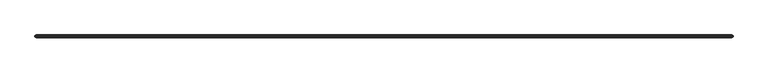
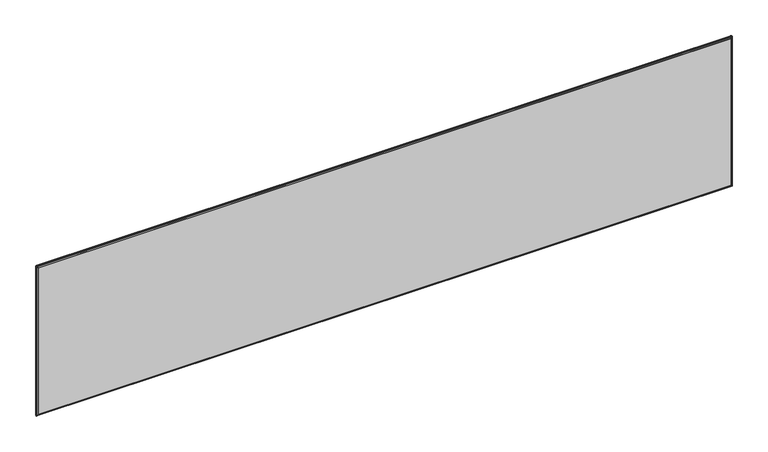
"""IFC4 building model written with IfcOpenShell, lengths in millimetres: furniture geometry."""

from ifc_helpers import new_model, si_unit, frame, origin, place, context, project, spatial, polyline, ellipse_curve, outline, extrude, source, transform, mapped, element, save
from ifc_brep_helpers import plane_surface, cylinder_surface, advanced_brep


def furniture_68a96c06(model_context):
    return source(origin(), model_context, "Body", "SolidModel", [
        advanced_brep(
        [(6.4770433, -35.9608478, 1020.2162429), (6.4770433, -42.3108478, 1020.2162429), (6.4770433, -42.3108478, 682.2591915), (6.4770433, -35.9608478, 682.2591915), (2.4130433, -39.7153692, 1022.2959291), (2.4130433, -38.5563263, 1022.2959291), (2.4130433, -38.5563263, 680.1795054), (2.4130433, -39.7153692, 680.1795054), (1517.5229567, -42.3108478, 682.2591915), (1517.5229567, -35.9608478, 682.2591915), (1519.6914783, -38.5563263, 678.1951915), (1519.6914783, -39.7153692, 678.1951915), (4.3085217, -39.7153692, 678.1951915), (4.3085217, -38.5563263, 678.1951915), (1517.5229567, -42.3108478, 1020.2162429), (1517.5229567, -35.9608478, 1020.2162429), (1521.5869567, -38.5563263, 1022.2959291), (1521.5869567, -39.7153692, 1022.2959291), (1521.5869567, -39.7153692, 680.1795054), (1521.5869567, -38.5563263, 680.1795054), (5.6165215, -42.3108478, 681.3986697), (1518.3834785, -42.3108478, 681.3986697), (1518.3834785, -42.3108478, 1021.0767647), (5.6165215, -42.3108478, 1021.0767647), (5.6165215, -35.9608478, 1021.0767647), (1518.3834785, -35.9608478, 1021.0767647), (1518.3834785, -35.9608478, 681.3986697), (5.6165215, -35.9608478, 681.3986697), (4.3085217, -38.5563263, 1024.2802429), (4.3085217, -39.7153692, 1024.2802429), (1519.6914783, -39.7153692, 1024.2802429), (1519.6914783, -38.5563263, 1024.2802429), (3.3646603, -37.0109079, 679.1468086), (3.3646603, -37.0109079, 1023.3286259), (2.9938046, -37.6131746, 678.7759528), (2.9938046, -37.6131746, 1023.6994816), (3.3646603, -41.2607877, 679.1468086), (3.3646603, -41.2607877, 1023.3286259), (2.9938046, -40.6585209, 1023.6994816), (2.9938046, -40.6585209, 678.7759528), (1520.6353397, -37.0109079, 679.1468086), (1521.0061954, -37.6131746, 678.7759528), (1520.6353397, -41.2607877, 679.1468086), (1521.0061954, -40.6585209, 678.7759528), (1520.6353397, -37.0109079, 1023.3286259), (1521.0061954, -37.6131746, 1023.6994816), (1520.6353397, -41.2607877, 1023.3286259), (1521.0061954, -40.6585209, 1023.6994816)],
        [
            (0, 1),
            (1, 2),
            (2, 3),
            (3, 0),
            (4, 5),
            (5, 6),
            (6, 7),
            (7, 4),
            (2, 8),
            (8, 9),
            (9, 3),
            (10, 11),
            (11, 12),
            (12, 13),
            (13, 10),
            (8, 14),
            (14, 15),
            (15, 9),
            (16, 17),
            (17, 18),
            (18, 19),
            (19, 16),
            (20, 21),
            (21, 22),
            (22, 23),
            (23, 20),
            (1, 14),
            (0, 15),
            (24, 25),
            (25, 26),
            (26, 27),
            (27, 24),
            (28, 29),
            (29, 30),
            (30, 31),
            (31, 28),
            (27, 32),
            (32, 33),
            (33, 24),
            (32, 34),
            (34, 6, ellipse_curve(frame((4.3994389, -35.3304359, 680.1795054), z_axis=(-0.8515131025137694, 0.5243333255166744, 0.0), x_axis=(0.5243333255166744, 0.8515131025137693, 0.0)), 3.7884214, 1.9863956)),
            (5, 35, ellipse_curve(frame((4.3994389, -35.3304359, 1022.2959291), z_axis=(-0.8515131025137694, 0.5243333255166744, 0.0), x_axis=(0.5243333255166744, 0.8515131025137693, 0.0)), 3.7884214, 1.9863956)),
            (35, 33),
            (36, 37),
            (37, 38),
            (38, 4, ellipse_curve(frame((4.3994389, -42.9412597, 1022.2959291), z_axis=(-0.8515131025143394, -0.5243333255157487, 0.0), x_axis=(-0.5243333255157487, 0.8515131025143393, 0.0)), 3.7884214, 1.9863956)),
            (7, 39, ellipse_curve(frame((4.3994389, -42.9412597, 680.1795054), z_axis=(-0.8515131025143394, -0.5243333255157487, 0.0), x_axis=(-0.5243333255157487, 0.8515131025143393, 0.0)), 3.7884214, 1.9863956)),
            (39, 36),
            (23, 37),
            (36, 20),
            (26, 40),
            (40, 32),
            (40, 41),
            (41, 10, ellipse_curve(frame((1519.6005611, -35.3338166, 680.1795054), z_axis=(0.0, 0.5243333255167165, -0.8515131025137436), x_axis=(0.0, 0.8515131025137436, 0.5243333255167166)), 3.7884214, 1.9863956)),
            (13, 34, ellipse_curve(frame((4.3994389, -35.3338166, 680.1795054), z_axis=(0.0, 0.5243333255167165, -0.8515131025137436), x_axis=(0.0, 0.8515131025137436, 0.5243333255167166)), 3.7884214, 1.9863956)),
            (42, 36),
            (39, 12, ellipse_curve(frame((4.3994389, -42.937879, 680.1795054), z_axis=(0.0, -0.5243333255157067, -0.8515131025143653), x_axis=(0.0, 0.8515131025143653, -0.5243333255157067)), 3.7884214, 1.9863956)),
            (11, 43, ellipse_curve(frame((1519.6005611, -42.937879, 680.1795054), z_axis=(0.0, -0.5243333255157067, -0.8515131025143653), x_axis=(0.0, 0.8515131025143653, -0.5243333255157067)), 3.7884214, 1.9863956)),
            (43, 42),
            (42, 21),
            (25, 44),
            (44, 40),
            (44, 45),
            (45, 16, ellipse_curve(frame((1519.6005611, -35.3304359, 1022.2959291), z_axis=(0.8515131025137694, 0.5243333255166744, 0.0), x_axis=(-0.5243333255166744, 0.8515131025137693, 0.0)), 3.7884214, 1.9863956)),
            (19, 41, ellipse_curve(frame((1519.6005611, -35.3304359, 680.1795054), z_axis=(0.8515131025137694, 0.5243333255166744, 0.0), x_axis=(-0.5243333255166744, 0.8515131025137693, 0.0)), 3.7884214, 1.9863956)),
            (46, 42),
            (43, 18, ellipse_curve(frame((1519.6005611, -42.9412597, 680.1795054), z_axis=(0.8515131025143394, -0.5243333255157487, 0.0), x_axis=(0.5243333255157487, 0.8515131025143393, 0.0)), 3.7884214, 1.9863956)),
            (17, 47, ellipse_curve(frame((1519.6005611, -42.9412597, 1022.2959291), z_axis=(0.8515131025143394, -0.5243333255157487, 0.0), x_axis=(0.5243333255157487, 0.8515131025143393, 0.0)), 3.7884214, 1.9863956)),
            (47, 46),
            (46, 22),
            (33, 44),
            (35, 28, ellipse_curve(frame((4.3994389, -35.3338166, 1022.2959291), z_axis=(0.0, 0.5243333255166324, 0.8515131025137953), x_axis=(0.0, 0.8515131025137953, -0.5243333255166324)), 3.7884214, 1.9863956)),
            (31, 45, ellipse_curve(frame((1519.6005611, -35.3338166, 1022.2959291), z_axis=(0.0, 0.5243333255166324, 0.8515131025137953), x_axis=(0.0, 0.8515131025137953, -0.5243333255166324)), 3.7884214, 1.9863956)),
            (37, 46),
            (47, 30, ellipse_curve(frame((1519.6005611, -42.937879, 1022.2959291), z_axis=(0.0, -0.5243333255157908, 0.8515131025143136), x_axis=(0.0, 0.8515131025143136, 0.5243333255157908)), 3.7884214, 1.9863956)),
            (29, 38, ellipse_curve(frame((4.3994389, -42.937879, 1022.2959291), z_axis=(0.0, -0.5243333255157908, 0.8515131025143136), x_axis=(0.0, 0.8515131025143136, 0.5243333255157908)), 3.7884214, 1.9863956)),
        ],
        [
            plane_surface(frame((6.4770433, -42.3108478, 1020.2162429), z_axis=(1.0, 0.0, 0.0), x_axis=(0.0, 0.0, -1.0))),
            plane_surface(frame((2.4130433, -38.5563263, 1024.2802429), z_axis=(-1.0, 0.0, 0.0), x_axis=(0.0, 0.0, -1.0))),
            plane_surface(frame((6.4770433, -42.3108478, 682.2591915), z_axis=(0.0, 0.0, 1.0), x_axis=(1.0, 0.0, 0.0))),
            plane_surface(frame((2.4130433, -38.5563263, 678.1951915), z_axis=(0.0, 0.0, -1.0), x_axis=(1.0, 0.0, 0.0))),
            plane_surface(frame((1517.5229567, -42.3108478, 682.2591915), z_axis=(-1.0, 0.0, 0.0), x_axis=(0.0, 0.0, 1.0))),
            plane_surface(frame((1521.5869567, -38.5563263, 678.1951915), z_axis=(1.0, 0.0, 0.0), x_axis=(0.0, 0.0, 1.0))),
            plane_surface(frame((1518.3834785, -42.3108478, 1021.0767647), z_axis=(0.0, -1.0, 0.0), x_axis=(-1.0, 0.0, 0.0))),
            plane_surface(frame((1517.5229567, -42.3108478, 1020.2162429), z_axis=(0.0, 0.0, -1.0), x_axis=(-1.0, 0.0, 0.0))),
            plane_surface(frame((1517.5229567, -35.9608478, 1020.2162429), z_axis=(0.0, 1.0, 0.0), x_axis=(-1.0, 0.0, 0.0))),
            plane_surface(frame((1521.5869567, -38.5563263, 1024.2802429), z_axis=(0.0, 0.0, 1.0), x_axis=(-1.0, 0.0, 0.0))),
            plane_surface(frame((5.6165215, -35.9608478, 1021.0767647), z_axis=(-0.4226182617407205, 0.9063077870366402, 0.0), x_axis=(0.0, 0.0, -1.0))),
            plane_surface(frame((3.3646603, -37.0109079, 1023.3286259), z_axis=(-0.8515131025137694, 0.5243333255166744, 0.0), x_axis=(0.0, 0.0, -1.0))),
            plane_surface(frame((2.4130433, -39.7153692, 1024.2802429), z_axis=(-0.8515131025143394, -0.5243333255157487, 0.0), x_axis=(0.0, 0.0, -1.0))),
            plane_surface(frame((3.3646603, -41.2607877, 1023.3286259), z_axis=(-0.42261826174118133, -0.9063077870364253, 0.0), x_axis=(0.0, 0.0, -1.0))),
            plane_surface(frame((5.6165215, -35.9608478, 681.3986697), z_axis=(0.0, 0.906307787036661, -0.42261826174067574), x_axis=(1.0, 0.0, 0.0))),
            plane_surface(frame((3.3646603, -37.0109079, 679.1468086), z_axis=(0.0, 0.5243333255167165, -0.8515131025137436), x_axis=(1.0, 0.0, 0.0))),
            plane_surface(frame((2.4130433, -39.7153692, 678.1951915), z_axis=(0.0, -0.5243333255157067, -0.8515131025143653), x_axis=(1.0, 0.0, 0.0))),
            plane_surface(frame((3.3646603, -41.2607877, 679.1468086), z_axis=(0.0, -0.9063077870364045, -0.4226182617412261), x_axis=(1.0, 0.0, 0.0))),
            plane_surface(frame((1518.3834785, -35.9608478, 681.3986697), z_axis=(0.4226182617407205, 0.9063077870366402, 0.0), x_axis=(0.0, 0.0, 1.0))),
            plane_surface(frame((1520.6353397, -37.0109079, 679.1468086), z_axis=(0.8515131025137694, 0.5243333255166744, 0.0), x_axis=(0.0, 0.0, 1.0))),
            plane_surface(frame((1521.5869567, -39.7153692, 678.1951915), z_axis=(0.8515131025143394, -0.5243333255157487, 0.0), x_axis=(0.0, 0.0, 1.0))),
            plane_surface(frame((1520.6353397, -41.2607877, 679.1468086), z_axis=(0.42261826174118133, -0.9063077870364253, 0.0), x_axis=(0.0, 0.0, 1.0))),
            plane_surface(frame((1518.3834785, -35.9608478, 1021.0767647), z_axis=(0.0, 0.9063077870366193, 0.4226182617407652), x_axis=(-1.0, 0.0, 0.0))),
            plane_surface(frame((1520.6353397, -37.0109079, 1023.3286259), z_axis=(0.0, 0.5243333255166324, 0.8515131025137953), x_axis=(-1.0, 0.0, 0.0))),
            plane_surface(frame((1521.5869567, -39.7153692, 1024.2802429), z_axis=(0.0, -0.5243333255157908, 0.8515131025143136), x_axis=(-1.0, 0.0, 0.0))),
            plane_surface(frame((1520.6353397, -41.2607877, 1023.3286259), z_axis=(0.0, -0.9063077870364462, 0.4226182617411366), x_axis=(-1.0, 0.0, 0.0))),
            cylinder_surface(frame((4.3994389, -30.0426452, 1022.2959291), z_axis=(0.0, 1.0, 0.0), x_axis=(1.0, 0.0, 0.0)), 1.9863956),
            cylinder_surface(frame((1519.6005611, -30.0426452, 1022.2959291), z_axis=(0.0, 1.0, 0.0), x_axis=(-1.0, 0.0, 0.0)), 1.9863956),
            cylinder_surface(frame((1519.6005611, -30.0426452, 680.1795054), z_axis=(0.0, 1.0, 0.0), x_axis=(-1.0, 0.0, 0.0)), 1.9863956),
            cylinder_surface(frame((4.3994389, -30.0426452, 680.1795054), z_axis=(0.0, 1.0, 0.0), x_axis=(1.0, 0.0, 0.0)), 1.9863956),
        ],
        [
            (0, [[1, 2, 3, 4]]),
            (1, [[5, 6, 7, 8]]),
            (2, [[-3, 9, 10, 11]]),
            (3, [[12, 13, 14, 15]]),
            (4, [[-10, 16, 17, 18]]),
            (5, [[19, 20, 21, 22]]),
            (6, [[23, 24, 25, 26], [-2, 27, -16, -9]]),
            (7, [[-1, 28, -17, -27]]),
            (8, [[29, 30, 31, 32], [-4, -11, -18, -28]]),
            (9, [[33, 34, 35, 36]]),
            (10, [[-32, 37, 38, 39]]),
            (11, [[-38, 40, 41, -6, 42, 43]]),
            (12, [[44, 45, 46, -8, 47, 48]]),
            (13, [[-26, 49, -44, 50]]),
            (14, [[-31, 51, 52, -37]]),
            (15, [[-52, 53, 54, -15, 55, -40]]),
            (16, [[56, -48, 57, -13, 58, 59]]),
            (17, [[-23, -50, -56, 60]]),
            (18, [[-30, 61, 62, -51]]),
            (19, [[-62, 63, 64, -22, 65, -53]]),
            (20, [[66, -59, 67, -20, 68, 69]]),
            (21, [[-24, -60, -66, 70]]),
            (22, [[-29, -39, 71, -61]]),
            (23, [[-71, -43, 72, -36, 73, -63]]),
            (24, [[74, -69, 75, -34, 76, -45]]),
            (25, [[-25, -70, -74, -49]]),
            (26, [[-5, -46, -76, -33, -72, -42]]),
            (27, [[-19, -64, -73, -35, -75, -68]]),
            (28, [[-12, -54, -65, -21, -67, -58]]),
            (29, [[-7, -41, -55, -14, -57, -47]]),
        ],
    ),
        extrude(outline(polyline([(1517.5229567, -42.3108478), (6.4770433, -42.3108478), (6.4770433, -35.9608478), (1517.5229567, -35.9608478), (1517.5229567, -42.3108478)])), frame((0.0, 0.0, 682.2591915), z_axis=(0.0, 0.0, 1.0), x_axis=(1.0, 0.0, 0.0)), (0.0, 0.0, 1.0), 337.9570514),
    ])


if __name__ == "__main__":
    model = new_model("IFC4")
    model_context = context("Model", 3, world=origin())
    ifc_project = project(units=[si_unit("LENGTHUNIT", "METRE", prefix="MILLI")], contexts=[model_context])
    site = spatial("IfcSite", under=ifc_project)
    building = spatial("IfcBuilding", under=site)
    placement = place(None, origin())
    furniture_shape = furniture_68a96c06(model_context)
    element("IfcFurniture", 1, at=placement, inside=building, context=model_context, shape_type="MappedRepresentation", body=[
        mapped(furniture_shape, transform((0.0, 0.0, 0.0), x_axis=(1.0, 0.0, 0.0), y_axis=(0.0, 1.0, 0.0), z_axis=(0.0, 0.0, 1.0))),
    ])
    save(model, "model.ifc")
